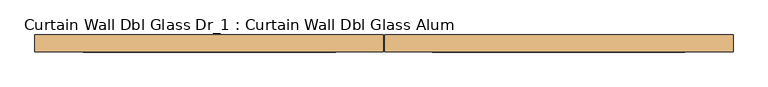
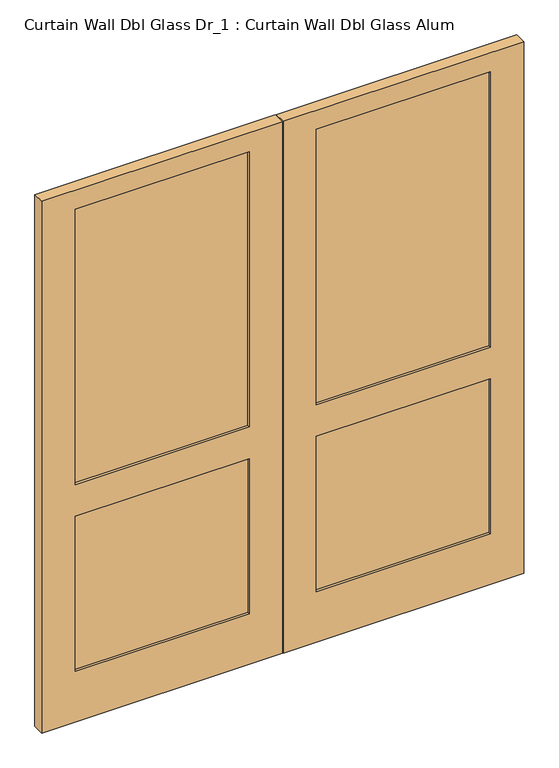
"""IFC4 building model written with IfcOpenShell, lengths in millimetres: door geometry, Curtain Wall Dbl Glass Dr_1 : Curtain Wall Dbl Glass Alum."""

import ifcopenshell
import ifcopenshell.guid

model = None  # the IFC model being written
_history = None  # IfcOwnerHistory: only IFC2X3 demands one
_inside = {}  # id of a spatial element -> (the spatial element, [elements in it])
_under = {}  # id of a project, library or spatial element -> (it, [spatial elements below it])
_declared = {}  # id of a project -> (the project, [libraries it declares])
_typed = {}  # id of a type object -> (the type object, [elements of that type])
_made_of = {}  # id of a material, layer set ... -> (it, [elements and type objects made of it])


def new_model(schema):
    """Start an empty IFC model of exactly this schema.

    Asked for "IFC4X3", IfcOpenShell would pick the latest addendum, in which some entities
    have other attributes; the version numbers below select the first issue.
    IFC2X3 requires an IfcOwnerHistory on every rooted entity: one is made here for all.
    """
    global model, _history
    if schema == "IFC4X3":
        model = ifcopenshell.file(schema_version=(4, 3, 0, 0))
    else:
        model = ifcopenshell.file(schema=schema)
    _inside.clear()
    _under.clear()
    _declared.clear()
    _typed.clear()
    _made_of.clear()
    _history = None
    if model.schema == "IFC2X3":
        org = make("IfcOrganization", Name="unknown")
        user = make(
            "IfcPersonAndOrganization",
            ThePerson=make("IfcPerson", FamilyName="unknown"),
            TheOrganization=org,
        )
        app = make(
            "IfcApplication",
            ApplicationDeveloper=org,
            Version="unknown",
            ApplicationFullName="unknown",
            ApplicationIdentifier="unknown",
        )
        _history = make(
            "IfcOwnerHistory",
            OwningUser=user,
            OwningApplication=app,
            ChangeAction="ADDED",
            CreationDate=0,
        )
    return model


def make(cls, **values):
    """One entity of the class cls with the attributes given. An attribute that is None is left unset."""
    return model.create_entity(
        cls, **{name: value for name, value in values.items() if value is not None}
    )


def rooted(cls, **values):
    """An entity with a GlobalId (a new one), such as an element, a storey or a relation."""
    return make(cls, GlobalId=ifcopenshell.guid.new(), OwnerHistory=_history, **values)


def si_unit(unit_type, name, prefix=None):
    """IfcSIUnit, for example si_unit("LENGTHUNIT", "METRE", prefix="MILLI")."""
    return make("IfcSIUnit", UnitType=unit_type, Prefix=prefix, Name=name)


def assignment(units):
    """IfcUnitAssignment: the units of a project."""
    return None if units is None else make("IfcUnitAssignment", Units=units)


def point(xyz):
    """IfcCartesianPoint."""
    return None if xyz is None else make("IfcCartesianPoint", Coordinates=xyz)


def direction(xyz):
    """IfcDirection."""
    return None if xyz is None else make("IfcDirection", DirectionRatios=xyz)


def frame(location, z_axis=None, x_axis=None):
    """IfcAxis2Placement3D, a coordinate frame: its origin and axes. An axis left out is left unset."""
    return make(
        "IfcAxis2Placement3D",
        Location=point(location),
        Axis=direction(z_axis),
        RefDirection=direction(x_axis),
    )


def origin():
    """The frame at (0, 0, 0) with its axes left unset."""
    return frame((0.0, 0.0, 0.0))


def place(relative_to, where):
    """IfcLocalPlacement: puts the frame where relative to a parent placement (None: the world)."""
    return make(
        "IfcLocalPlacement", PlacementRelTo=relative_to, RelativePlacement=where
    )


def context(
    kind, dimensions, precision=None, world=None, true_north=None, identifier=None
):
    """IfcGeometricRepresentationContext, for example the 3D "Model" context."""
    return make(
        "IfcGeometricRepresentationContext",
        ContextIdentifier=identifier,
        ContextType=kind,
        CoordinateSpaceDimension=dimensions,
        Precision=precision,
        WorldCoordinateSystem=world,
        TrueNorth=true_north,
    )


def project(units=None, contexts=None):
    """IfcProject with its units and contexts."""
    return rooted(
        "IfcProject",
        Name="project",
        RepresentationContexts=contexts,
        UnitsInContext=assignment(units),
    )


def spatial(cls, under=None, at=None, **own):
    """A site, building, storey or space (cls), placed at a placement, below another one or the project."""
    s = rooted(cls, ObjectPlacement=at, **own)
    if under is not None:
        _under.setdefault(under.id(), (under, []))[1].append(s)
    return s


def polyline(points):
    """IfcPolyline through the points."""
    return make("IfcPolyline", Points=[point(p) for p in points])


def outline(outer, holes=None, kind="AREA"):
    """IfcArbitraryClosedProfileDef: a profile drawn as a closed curve; with holes, ...WithVoids."""
    if holes is None:
        return make("IfcArbitraryClosedProfileDef", ProfileType=kind, OuterCurve=outer)
    return make(
        "IfcArbitraryProfileDefWithVoids",
        ProfileType=kind,
        OuterCurve=outer,
        InnerCurves=holes,
    )


def extrude(swept, where, along, depth):
    """IfcExtrudedAreaSolid: the profile swept, set in the frame where, extruded along a direction by depth."""
    return make(
        "IfcExtrudedAreaSolid",
        SweptArea=swept,
        Position=where,
        ExtrudedDirection=direction(along),
        Depth=depth,
    )


def shape(context_of_items, identifier, shape_type, items):
    """IfcShapeRepresentation: the items that make up one representation, for example the "Body"."""
    return make(
        "IfcShapeRepresentation",
        ContextOfItems=context_of_items,
        RepresentationIdentifier=identifier,
        RepresentationType=shape_type,
        Items=items,
    )


def source(mapping_origin, context_of_items, identifier, shape_type, items):
    """IfcRepresentationMap: a shape defined once, which mapped items show again and again."""
    return make(
        "IfcRepresentationMap",
        MappingOrigin=mapping_origin,
        MappedRepresentation=shape(context_of_items, identifier, shape_type, items),
    )


def transform(
    local_origin,
    x_axis=None,
    y_axis=None,
    z_axis=None,
    scale=None,
    scale2=None,
    scale3=None,
    uniform=True,
):
    """IfcCartesianTransformationOperator3D, or its non-uniform kind. x_axis, y_axis, z_axis: its Axis1, 2, 3."""
    if uniform:
        return make(
            "IfcCartesianTransformationOperator3D",
            Axis1=direction(x_axis),
            Axis2=direction(y_axis),
            LocalOrigin=point(local_origin),
            Scale=scale,
            Axis3=direction(z_axis),
        )
    return make(
        "IfcCartesianTransformationOperator3DnonUniform",
        Axis1=direction(x_axis),
        Axis2=direction(y_axis),
        LocalOrigin=point(local_origin),
        Scale=scale,
        Axis3=direction(z_axis),
        Scale2=scale2,
        Scale3=scale3,
    )


def mapped(mapping_source, mapping_target):
    """IfcMappedItem: shows the shape of a source again, moved by a transform."""
    return make(
        "IfcMappedItem", MappingSource=mapping_source, MappingTarget=mapping_target
    )


def made_of(thing, what):
    """Note that an element or type object is made of a material, layer set ...; save() writes the relation."""
    if what is not None:
        _made_of.setdefault(what.id(), (what, []))[1].append(thing)
    return thing


def element(
    cls,
    number,
    at=None,
    inside=None,
    cuts=None,
    type_object=None,
    material=None,
    context=None,
    identifier="Body",
    shape_type=None,
    held_by="IfcProductDefinitionShape",
    body=None,
    shapes=None,
    **own,
):
    """One element of the class cls, such as IfcWall. Its Tag is "e" and its number.

    at: its placement. inside: the storey or other place that contains it. cuts: it is an
    opening in that element (IfcRelVoidsElement). A single representation is given by context,
    identifier, shape_type and body (its items); several are given by shapes. held_by: the class
    of the entity that holds the representations. save() writes the other relations.
    """
    e = rooted(cls, Tag="e%d" % number, ObjectPlacement=at, **own)
    if body is not None:
        shapes = [shape(context, identifier, shape_type, body)]
    if shapes is not None:
        e.Representation = make(held_by, Representations=shapes)
    if inside is not None:
        _inside.setdefault(inside.id(), (inside, []))[1].append(e)
    if cuts is not None:
        rooted(
            "IfcRelVoidsElement", RelatingBuildingElement=cuts, RelatedOpeningElement=e
        )
    if type_object is not None:
        _typed.setdefault(type_object.id(), (type_object, []))[1].append(e)
    return made_of(e, material)


def aggregate(whole, parts):
    """IfcRelAggregates: a whole, such as a stair, and the parts it consists of."""
    return rooted("IfcRelAggregates", RelatingObject=whole, RelatedObjects=parts)


def save(model, path):
    """Write the relations noted so far, then the file.

    IfcRelAggregates (storeys below a building ...), IfcRelContainedInSpatialStructure (elements
    in a storey), IfcRelDefinesByType, IfcRelAssociatesMaterial and IfcRelDeclares: one each for
    every whole, place, type object, material and project.
    """
    for whole, parts in _under.values():
        aggregate(whole, parts)
    for where, things in _inside.values():
        rooted(
            "IfcRelContainedInSpatialStructure",
            RelatedElements=things,
            RelatingStructure=where,
        )
    for kind, things in _typed.values():
        rooted("IfcRelDefinesByType", RelatedObjects=things, RelatingType=kind)
    for what, things in _made_of.values():
        rooted("IfcRelAssociatesMaterial", RelatedObjects=things, RelatingMaterial=what)
    for by, libraries in _declared.values():
        rooted("IfcRelDeclares", RelatingContext=by, RelatedDefinitions=libraries)
    model.write(path)


def curtain_wall_dbl_glass_dr_1_curtain_wall_dbl_glass_alum_fe4d9def(model_context):
    return source(origin(), model_context, "Body", "SweptSolid", [
        extrude(outline(polyline([(787.4, -19.05), (127.0, -19.05), (127.0, 6.35), (787.4, 6.35), (787.4, -19.05)])), frame((0.0, 0.0, 952.5), z_axis=(0.0, 0.0, 1.0), x_axis=(1.0, 0.0, 0.0)), (0.0, 0.0, 1.0), 1104.9),
        extrude(outline(polyline([(787.4, -19.05), (127.0, -19.05), (127.0, 6.35), (787.4, 6.35), (787.4, -19.05)])), frame((0.0, 0.0, 203.2), z_axis=(0.0, 0.0, 1.0), x_axis=(1.0, 0.0, 0.0)), (0.0, 0.0, 1.0), 622.3),
        extrude(outline(polyline([(-127.0, -19.05), (-787.4, -19.05), (-787.4, 6.35), (-127.0, 6.35), (-127.0, -19.05)])), frame((0.0, 0.0, 203.2), z_axis=(0.0, 0.0, 1.0), x_axis=(1.0, 0.0, 0.0)), (0.0, 0.0, 1.0), 622.3),
        extrude(outline(polyline([(2133.6, 1.5875), (0.0, 1.5875), (0.0, 914.4), (2133.6, 914.4), (2133.6, 1.5875)]), holes=[polyline([(2057.4, 787.4), (952.5, 787.4), (952.5, 127.0), (2057.4, 127.0), (2057.4, 787.4)]), polyline([(825.5, 787.4), (203.2, 787.4), (203.2, 127.0), (825.5, 127.0), (825.5, 787.4)])]), frame((0.0, -28.575, 0.0), z_axis=(0.0, 1.0, 0.0), x_axis=(0.0, 0.0, 1.0)), (0.0, 0.0, 1.0), 44.45),
        extrude(outline(polyline([(2133.6, -1.5875), (2133.6, -914.4), (0.0, -914.4), (0.0, -1.5875), (2133.6, -1.5875)]), holes=[polyline([(2057.4, -127.0), (952.5, -127.0), (952.5, -787.4), (2057.4, -787.4), (2057.4, -127.0)]), polyline([(825.5, -127.0), (203.2, -127.0), (203.2, -787.4), (825.5, -787.4), (825.5, -127.0)])]), frame((0.0, -28.575, 0.0), z_axis=(0.0, 1.0, 0.0), x_axis=(0.0, 0.0, 1.0)), (0.0, 0.0, 1.0), 44.45),
        extrude(outline(polyline([(-127.0, -19.05), (-787.4, -19.05), (-787.4, 6.35), (-127.0, 6.35), (-127.0, -19.05)])), frame((0.0, 0.0, 952.5), z_axis=(0.0, 0.0, 1.0), x_axis=(1.0, 0.0, 0.0)), (0.0, 0.0, 1.0), 1104.9),
    ])


if __name__ == "__main__":
    model = new_model("IFC4")
    model_context = context("Model", 3, world=origin())
    ifc_project = project(units=[si_unit("LENGTHUNIT", "METRE", prefix="MILLI")], contexts=[model_context])
    site = spatial("IfcSite", under=ifc_project)
    building = spatial("IfcBuilding", under=site)
    placement = place(None, origin())
    curtain_wall_dbl_glass_dr_1_curtain_wall_dbl_glass_alum_shape = curtain_wall_dbl_glass_dr_1_curtain_wall_dbl_glass_alum_fe4d9def(model_context)
    element("IfcDoor", 1, ObjectType="Curtain Wall Dbl Glass Dr_1 : Curtain Wall Dbl Glass Alum", at=placement, inside=building, context=model_context, shape_type="MappedRepresentation", body=[
        mapped(curtain_wall_dbl_glass_dr_1_curtain_wall_dbl_glass_alum_shape, transform((0.0, 0.0, 0.0), x_axis=(1.0, 0.0, 0.0), y_axis=(0.0, 1.0, 0.0), z_axis=(0.0, 0.0, 1.0))),
    ])
    save(model, "model.ifc")
